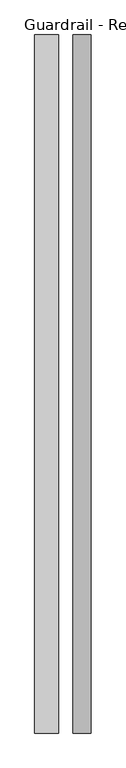
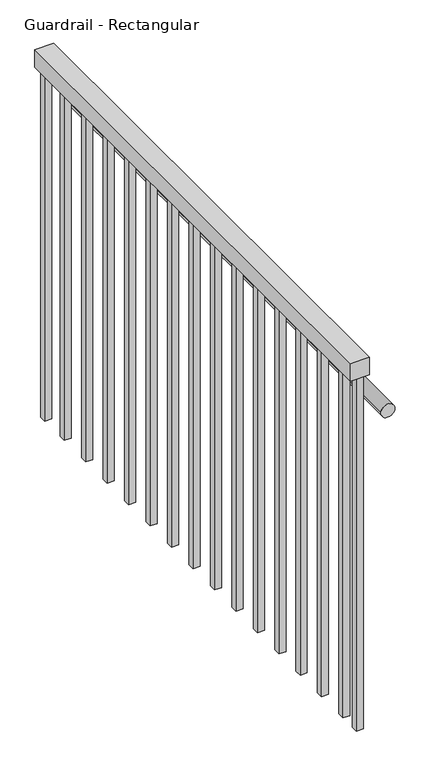
"""IFC4 building model written with IfcOpenShell, lengths in millimetres: railing geometry, Guardrail - Rectangular."""

import ifcopenshell
import ifcopenshell.guid

model = None  # the IFC model being written
_history = None  # IfcOwnerHistory: only IFC2X3 demands one
_inside = {}  # id of a spatial element -> (the spatial element, [elements in it])
_under = {}  # id of a project, library or spatial element -> (it, [spatial elements below it])
_declared = {}  # id of a project -> (the project, [libraries it declares])
_typed = {}  # id of a type object -> (the type object, [elements of that type])
_made_of = {}  # id of a material, layer set ... -> (it, [elements and type objects made of it])


def new_model(schema):
    """Start an empty IFC model of exactly this schema.

    Asked for "IFC4X3", IfcOpenShell would pick the latest addendum, in which some entities
    have other attributes; the version numbers below select the first issue.
    IFC2X3 requires an IfcOwnerHistory on every rooted entity: one is made here for all.
    """
    global model, _history
    if schema == "IFC4X3":
        model = ifcopenshell.file(schema_version=(4, 3, 0, 0))
    else:
        model = ifcopenshell.file(schema=schema)
    _inside.clear()
    _under.clear()
    _declared.clear()
    _typed.clear()
    _made_of.clear()
    _history = None
    if model.schema == "IFC2X3":
        org = make("IfcOrganization", Name="unknown")
        user = make(
            "IfcPersonAndOrganization",
            ThePerson=make("IfcPerson", FamilyName="unknown"),
            TheOrganization=org,
        )
        app = make(
            "IfcApplication",
            ApplicationDeveloper=org,
            Version="unknown",
            ApplicationFullName="unknown",
            ApplicationIdentifier="unknown",
        )
        _history = make(
            "IfcOwnerHistory",
            OwningUser=user,
            OwningApplication=app,
            ChangeAction="ADDED",
            CreationDate=0,
        )
    return model


def make(cls, **values):
    """One entity of the class cls with the attributes given. An attribute that is None is left unset."""
    return model.create_entity(
        cls, **{name: value for name, value in values.items() if value is not None}
    )


def rooted(cls, **values):
    """An entity with a GlobalId (a new one), such as an element, a storey or a relation."""
    return make(cls, GlobalId=ifcopenshell.guid.new(), OwnerHistory=_history, **values)


def si_unit(unit_type, name, prefix=None):
    """IfcSIUnit, for example si_unit("LENGTHUNIT", "METRE", prefix="MILLI")."""
    return make("IfcSIUnit", UnitType=unit_type, Prefix=prefix, Name=name)


def assignment(units):
    """IfcUnitAssignment: the units of a project."""
    return None if units is None else make("IfcUnitAssignment", Units=units)


def point(xyz):
    """IfcCartesianPoint."""
    return None if xyz is None else make("IfcCartesianPoint", Coordinates=xyz)


def direction(xyz):
    """IfcDirection."""
    return None if xyz is None else make("IfcDirection", DirectionRatios=xyz)


def frame(location, z_axis=None, x_axis=None):
    """IfcAxis2Placement3D, a coordinate frame: its origin and axes. An axis left out is left unset."""
    return make(
        "IfcAxis2Placement3D",
        Location=point(location),
        Axis=direction(z_axis),
        RefDirection=direction(x_axis),
    )


def frame_2d(location, x_axis=None):
    """IfcAxis2Placement2D, a coordinate frame in the plane: its origin and x axis."""
    return make(
        "IfcAxis2Placement2D", Location=point(location), RefDirection=direction(x_axis)
    )


def origin():
    """The frame at (0, 0, 0) with its axes left unset."""
    return frame((0.0, 0.0, 0.0))


def origin_with_axes():
    """The frame at (0, 0, 0) with the z axis (0, 0, 1) and the x axis (1, 0, 0) written out."""
    return frame((0.0, 0.0, 0.0), z_axis=(0.0, 0.0, 1.0), x_axis=(1.0, 0.0, 0.0))


def place(relative_to, where):
    """IfcLocalPlacement: puts the frame where relative to a parent placement (None: the world)."""
    return make(
        "IfcLocalPlacement", PlacementRelTo=relative_to, RelativePlacement=where
    )


def context(
    kind, dimensions, precision=None, world=None, true_north=None, identifier=None
):
    """IfcGeometricRepresentationContext, for example the 3D "Model" context."""
    return make(
        "IfcGeometricRepresentationContext",
        ContextIdentifier=identifier,
        ContextType=kind,
        CoordinateSpaceDimension=dimensions,
        Precision=precision,
        WorldCoordinateSystem=world,
        TrueNorth=true_north,
    )


def project(units=None, contexts=None):
    """IfcProject with its units and contexts."""
    return rooted(
        "IfcProject",
        Name="project",
        RepresentationContexts=contexts,
        UnitsInContext=assignment(units),
    )


def spatial(cls, under=None, at=None, **own):
    """A site, building, storey or space (cls), placed at a placement, below another one or the project."""
    s = rooted(cls, ObjectPlacement=at, **own)
    if under is not None:
        _under.setdefault(under.id(), (under, []))[1].append(s)
    return s


def polyline(points):
    """IfcPolyline through the points."""
    return make("IfcPolyline", Points=[point(p) for p in points])


def circle_curve(where, radius):
    """IfcCircle in the frame where."""
    return make("IfcCircle", Position=where, Radius=radius)


def trimmed(basis, trim1, trim2, sense, master):
    """IfcTrimmedCurve: the piece of a basis curve between two trims."""
    return make(
        "IfcTrimmedCurve",
        BasisCurve=basis,
        Trim1=trim1,
        Trim2=trim2,
        SenseAgreement=sense,
        MasterRepresentation=master,
    )


def segment(curve, same_sense, transition):
    """IfcCompositeCurveSegment."""
    return make(
        "IfcCompositeCurveSegment",
        Transition=transition,
        SameSense=same_sense,
        ParentCurve=curve,
    )


def composite_curve(segments, self_intersect=None):
    """IfcCompositeCurve: segments joined end to end."""
    return make("IfcCompositeCurve", Segments=segments, SelfIntersect=self_intersect)


def outline(outer, holes=None, kind="AREA"):
    """IfcArbitraryClosedProfileDef: a profile drawn as a closed curve; with holes, ...WithVoids."""
    if holes is None:
        return make("IfcArbitraryClosedProfileDef", ProfileType=kind, OuterCurve=outer)
    return make(
        "IfcArbitraryProfileDefWithVoids",
        ProfileType=kind,
        OuterCurve=outer,
        InnerCurves=holes,
    )


def extrude(swept, where, along, depth):
    """IfcExtrudedAreaSolid: the profile swept, set in the frame where, extruded along a direction by depth."""
    return make(
        "IfcExtrudedAreaSolid",
        SweptArea=swept,
        Position=where,
        ExtrudedDirection=direction(along),
        Depth=depth,
    )


def shape(context_of_items, identifier, shape_type, items):
    """IfcShapeRepresentation: the items that make up one representation, for example the "Body"."""
    return make(
        "IfcShapeRepresentation",
        ContextOfItems=context_of_items,
        RepresentationIdentifier=identifier,
        RepresentationType=shape_type,
        Items=items,
    )


def source(mapping_origin, context_of_items, identifier, shape_type, items):
    """IfcRepresentationMap: a shape defined once, which mapped items show again and again."""
    return make(
        "IfcRepresentationMap",
        MappingOrigin=mapping_origin,
        MappedRepresentation=shape(context_of_items, identifier, shape_type, items),
    )


def transform(
    local_origin,
    x_axis=None,
    y_axis=None,
    z_axis=None,
    scale=None,
    scale2=None,
    scale3=None,
    uniform=True,
):
    """IfcCartesianTransformationOperator3D, or its non-uniform kind. x_axis, y_axis, z_axis: its Axis1, 2, 3."""
    if uniform:
        return make(
            "IfcCartesianTransformationOperator3D",
            Axis1=direction(x_axis),
            Axis2=direction(y_axis),
            LocalOrigin=point(local_origin),
            Scale=scale,
            Axis3=direction(z_axis),
        )
    return make(
        "IfcCartesianTransformationOperator3DnonUniform",
        Axis1=direction(x_axis),
        Axis2=direction(y_axis),
        LocalOrigin=point(local_origin),
        Scale=scale,
        Axis3=direction(z_axis),
        Scale2=scale2,
        Scale3=scale3,
    )


def mapped(mapping_source, mapping_target):
    """IfcMappedItem: shows the shape of a source again, moved by a transform."""
    return make(
        "IfcMappedItem", MappingSource=mapping_source, MappingTarget=mapping_target
    )


def made_of(thing, what):
    """Note that an element or type object is made of a material, layer set ...; save() writes the relation."""
    if what is not None:
        _made_of.setdefault(what.id(), (what, []))[1].append(thing)
    return thing


def element(
    cls,
    number,
    at=None,
    inside=None,
    cuts=None,
    type_object=None,
    material=None,
    context=None,
    identifier="Body",
    shape_type=None,
    held_by="IfcProductDefinitionShape",
    body=None,
    shapes=None,
    **own,
):
    """One element of the class cls, such as IfcWall. Its Tag is "e" and its number.

    at: its placement. inside: the storey or other place that contains it. cuts: it is an
    opening in that element (IfcRelVoidsElement). A single representation is given by context,
    identifier, shape_type and body (its items); several are given by shapes. held_by: the class
    of the entity that holds the representations. save() writes the other relations.
    """
    e = rooted(cls, Tag="e%d" % number, ObjectPlacement=at, **own)
    if body is not None:
        shapes = [shape(context, identifier, shape_type, body)]
    if shapes is not None:
        e.Representation = make(held_by, Representations=shapes)
    if inside is not None:
        _inside.setdefault(inside.id(), (inside, []))[1].append(e)
    if cuts is not None:
        rooted(
            "IfcRelVoidsElement", RelatingBuildingElement=cuts, RelatedOpeningElement=e
        )
    if type_object is not None:
        _typed.setdefault(type_object.id(), (type_object, []))[1].append(e)
    return made_of(e, material)


def aggregate(whole, parts):
    """IfcRelAggregates: a whole, such as a stair, and the parts it consists of."""
    return rooted("IfcRelAggregates", RelatingObject=whole, RelatedObjects=parts)


def save(model, path):
    """Write the relations noted so far, then the file.

    IfcRelAggregates (storeys below a building ...), IfcRelContainedInSpatialStructure (elements
    in a storey), IfcRelDefinesByType, IfcRelAssociatesMaterial and IfcRelDeclares: one each for
    every whole, place, type object, material and project.
    """
    for whole, parts in _under.values():
        aggregate(whole, parts)
    for where, things in _inside.values():
        rooted(
            "IfcRelContainedInSpatialStructure",
            RelatedElements=things,
            RelatingStructure=where,
        )
    for kind, things in _typed.values():
        rooted("IfcRelDefinesByType", RelatedObjects=things, RelatingType=kind)
    for what, things in _made_of.values():
        rooted("IfcRelAssociatesMaterial", RelatedObjects=things, RelatingMaterial=what)
    for by, libraries in _declared.values():
        rooted("IfcRelDeclares", RelatingContext=by, RelatedDefinitions=libraries)
    model.write(path)


def guardrail_rectangular_8aebd854(model_context):
    return source(origin(), model_context, "Body", "SweptSolid", [
        extrude(outline(polyline([(-9230.1521003, 1522.1062192), (-9179.3521003, 1522.1062192), (-9179.3521003, 27.1062192), (-9230.1521003, 27.1062192), (-9230.1521003, 1522.1062192)])), frame((0.0, 0.0, 1016.0), z_axis=(0.0, 0.0, 1.0), x_axis=(1.0, 0.0, 0.0)), (0.0, 0.0, 1.0), 50.8),
        extrude(outline(composite_curve([segment(trimmed(circle_curve(frame_2d((895.35, -9128.5521003)), 19.05), [point((895.35, -9109.5021003))], [point((895.35, -9147.6021003))], False, "CARTESIAN"), True, "CONTINUOUS"), segment(trimmed(circle_curve(frame_2d((895.35, -9128.5521003)), 19.05), [point((895.35, -9147.6021003))], [point((895.35, -9109.5021003))], False, "CARTESIAN"), True, "CONTINUOUS")], self_intersect=False)), frame((0.0, 27.1062192, 0.0), z_axis=(0.0, 1.0, 0.0), x_axis=(0.0, 0.0, 1.0)), (0.0, 0.0, 1.0), 1495.0),
        extrude(outline(polyline([(-9214.2771003, 109.2312192), (-9195.2271003, 109.2312192), (-9195.2271003, 90.1812192), (-9214.2771003, 90.1812192), (-9214.2771003, 109.2312192)])), origin_with_axes(), (0.0, 0.0, 1.0), 1016.0),
        extrude(outline(polyline([(-9214.2771003, 210.8312192), (-9195.2271003, 210.8312192), (-9195.2271003, 191.7812192), (-9214.2771003, 191.7812192), (-9214.2771003, 210.8312192)])), origin_with_axes(), (0.0, 0.0, 1.0), 1016.0),
        extrude(outline(polyline([(-9214.2771003, 312.4312192), (-9195.2271003, 312.4312192), (-9195.2271003, 293.3812192), (-9214.2771003, 293.3812192), (-9214.2771003, 312.4312192)])), origin_with_axes(), (0.0, 0.0, 1.0), 1016.0),
        extrude(outline(polyline([(-9214.2771003, 414.0312192), (-9195.2271003, 414.0312192), (-9195.2271003, 394.9812192), (-9214.2771003, 394.9812192), (-9214.2771003, 414.0312192)])), origin_with_axes(), (0.0, 0.0, 1.0), 1016.0),
        extrude(outline(polyline([(-9214.2771003, 515.6312192), (-9195.2271003, 515.6312192), (-9195.2271003, 496.5812192), (-9214.2771003, 496.5812192), (-9214.2771003, 515.6312192)])), origin_with_axes(), (0.0, 0.0, 1.0), 1016.0),
        extrude(outline(polyline([(-9214.2771003, 617.2312192), (-9195.2271003, 617.2312192), (-9195.2271003, 598.1812192), (-9214.2771003, 598.1812192), (-9214.2771003, 617.2312192)])), origin_with_axes(), (0.0, 0.0, 1.0), 1016.0),
        extrude(outline(polyline([(-9214.2771003, 718.8312192), (-9195.2271003, 718.8312192), (-9195.2271003, 699.7812192), (-9214.2771003, 699.7812192), (-9214.2771003, 718.8312192)])), origin_with_axes(), (0.0, 0.0, 1.0), 1016.0),
        extrude(outline(polyline([(-9214.2771003, 820.4312192), (-9195.2271003, 820.4312192), (-9195.2271003, 801.3812192), (-9214.2771003, 801.3812192), (-9214.2771003, 820.4312192)])), origin_with_axes(), (0.0, 0.0, 1.0), 1016.0),
        extrude(outline(polyline([(-9214.2771003, 922.0312192), (-9195.2271003, 922.0312192), (-9195.2271003, 902.9812192), (-9214.2771003, 902.9812192), (-9214.2771003, 922.0312192)])), origin_with_axes(), (0.0, 0.0, 1.0), 1016.0),
        extrude(outline(polyline([(-9214.2771003, 1023.6312192), (-9195.2271003, 1023.6312192), (-9195.2271003, 1004.5812192), (-9214.2771003, 1004.5812192), (-9214.2771003, 1023.6312192)])), origin_with_axes(), (0.0, 0.0, 1.0), 1016.0),
        extrude(outline(polyline([(-9214.2771003, 1125.2312192), (-9195.2271003, 1125.2312192), (-9195.2271003, 1106.1812192), (-9214.2771003, 1106.1812192), (-9214.2771003, 1125.2312192)])), origin_with_axes(), (0.0, 0.0, 1.0), 1016.0),
        extrude(outline(polyline([(-9214.2771003, 1226.8312192), (-9195.2271003, 1226.8312192), (-9195.2271003, 1207.7812192), (-9214.2771003, 1207.7812192), (-9214.2771003, 1226.8312192)])), origin_with_axes(), (0.0, 0.0, 1.0), 1016.0),
        extrude(outline(polyline([(-9214.2771003, 1328.4312192), (-9195.2271003, 1328.4312192), (-9195.2271003, 1309.3812192), (-9214.2771003, 1309.3812192), (-9214.2771003, 1328.4312192)])), origin_with_axes(), (0.0, 0.0, 1.0), 1016.0),
        extrude(outline(polyline([(-9214.2771003, 1430.0312192), (-9195.2271003, 1430.0312192), (-9195.2271003, 1410.9812192), (-9214.2771003, 1410.9812192), (-9214.2771003, 1430.0312192)])), origin_with_axes(), (0.0, 0.0, 1.0), 1016.0),
        extrude(outline(polyline([(-9214.2771003, 46.1562192), (-9195.2271003, 46.1562192), (-9195.2271003, 27.1062192), (-9214.2771003, 27.1062192), (-9214.2771003, 46.1562192)])), origin_with_axes(), (0.0, 0.0, 1.0), 1016.0),
        extrude(outline(polyline([(-9214.2771003, 1522.1062192), (-9195.2271003, 1522.1062192), (-9195.2271003, 1503.0562192), (-9214.2771003, 1503.0562192), (-9214.2771003, 1522.1062192)])), origin_with_axes(), (0.0, 0.0, 1.0), 1016.0),
    ])


if __name__ == "__main__":
    model = new_model("IFC4")
    model_context = context("Model", 3, world=origin())
    ifc_project = project(units=[si_unit("LENGTHUNIT", "METRE", prefix="MILLI")], contexts=[model_context])
    site = spatial("IfcSite", under=ifc_project)
    building = spatial("IfcBuilding", under=site)
    placement = place(None, origin())
    guardrail_rectangular_shape = guardrail_rectangular_8aebd854(model_context)
    element("IfcRailing", 1, ObjectType="Guardrail - Rectangular", at=placement, inside=building, context=model_context, shape_type="MappedRepresentation", body=[
        mapped(guardrail_rectangular_shape, transform((0.0, 0.0, 0.0), x_axis=(1.0, 0.0, 0.0), y_axis=(0.0, 1.0, 0.0), z_axis=(0.0, 0.0, 1.0))),
    ])
    save(model, "model.ifc")
